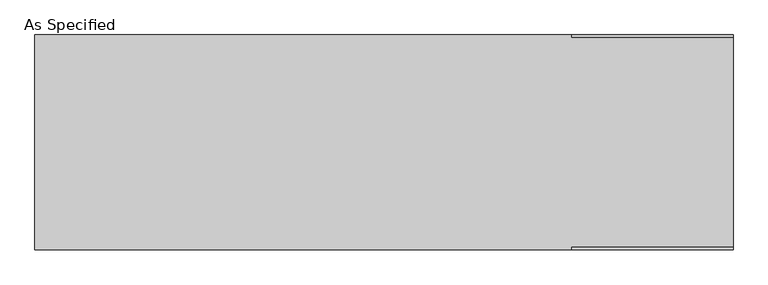
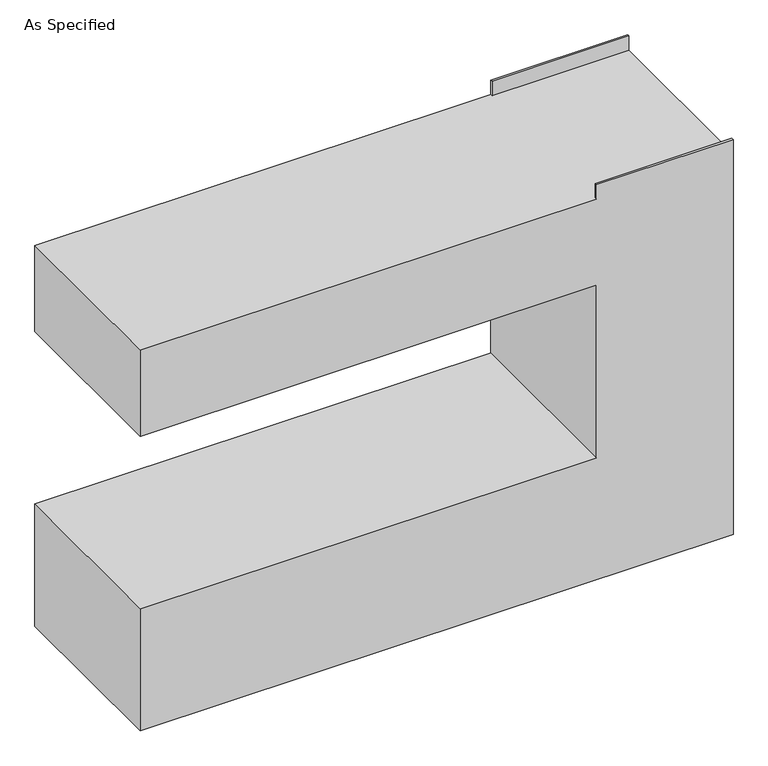
"""IFC4 building model written with IfcOpenShell, lengths in millimetres: proxy geometry, As Specified."""

from ifc_helpers import new_model, si_unit, frame, origin, place, context, project, spatial, polyline, outline, extrude, faceted_brep, source, transform, mapped, element, save


def as_specified_88bee81e(model_context):
    return source(origin(), model_context, "Body", "SolidModel", [
        extrude(outline(polyline([(533.4, 298.45), (533.4, 304.8), (990.6, 304.8), (990.6, 298.45), (533.4, 298.45)])), frame((0.0, 0.0, 1346.2), z_axis=(0.0, 0.0, 1.0), x_axis=(1.0, 0.0, 0.0)), (0.0, 0.0, 1.0), 50.8),
        faceted_brep([(990.6, 304.8, 1346.2), (-990.6, 304.8, 1346.2), (-990.6, -304.8, 1346.2), (533.4, -304.8, 1346.2), (533.4, -298.45, 1346.2), (990.6, -298.45, 1346.2), (990.6, 304.8, 0.0), (990.6, -304.8, 0.0), (-990.6, -304.8, 0.0), (-990.6, 304.8, 0.0), (-990.6, 304.8, 431.8), (533.4, 304.8, 431.8), (533.4, 304.8, 1041.4), (-990.6, 304.8, 1041.4), (-990.6, -304.8, 1041.4), (-990.6, -304.8, 431.8), (990.6, -304.8, 1397.0), (533.4, -304.8, 1397.0), (533.4, -304.8, 1041.4), (533.4, -304.8, 431.8), (990.6, -298.45, 1397.0), (533.4, -298.45, 1397.0)], [[[0, 1, 2, 3, 4, 5]], [[6, 7, 8, 9]], [[1, 0, 6, 9, 10, 11, 12, 13]], [[2, 1, 13, 14]], [[9, 8, 15, 10]], [[8, 7, 16, 17, 3, 2, 14, 18, 19, 15]], [[16, 7, 6, 0, 5, 20]], [[19, 11, 10, 15]], [[11, 19, 18, 12]], [[12, 18, 14, 13]], [[17, 21, 4, 3]], [[21, 17, 16, 20]], [[4, 21, 20, 5]]]),
    ])


if __name__ == "__main__":
    model = new_model("IFC4")
    model_context = context("Model", 3, world=origin())
    ifc_project = project(units=[si_unit("LENGTHUNIT", "METRE", prefix="MILLI")], contexts=[model_context])
    site = spatial("IfcSite", under=ifc_project)
    building = spatial("IfcBuilding", under=site)
    placement = place(None, origin())
    as_specified_shape = as_specified_88bee81e(model_context)
    element("IfcBuildingElementProxy", 1, Name="As Specified", ObjectType="As Specified", at=placement, inside=building, context=model_context, shape_type="MappedRepresentation", body=[
        mapped(as_specified_shape, transform((0.0, 0.0, 0.0), x_axis=(1.0, 0.0, 0.0), y_axis=(0.0, 1.0, 0.0), z_axis=(0.0, 0.0, 1.0))),
    ])
    save(model, "model.ifc")
